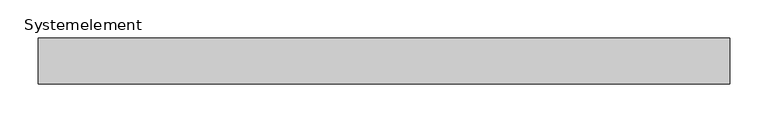
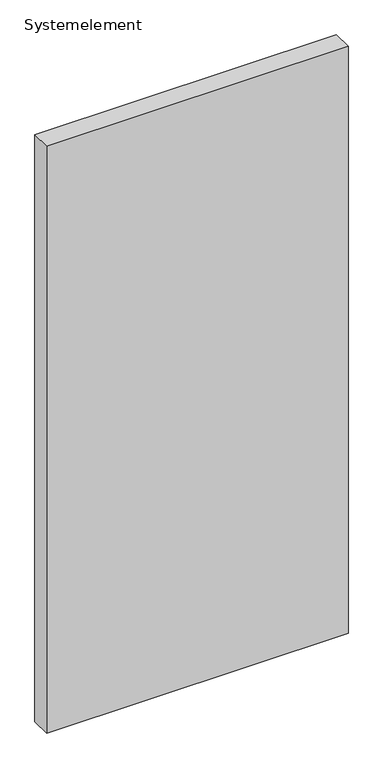
"""IFC4 building model written with IfcOpenShell, lengths in millimetres: plate geometry, Systemelement."""

from ifc_helpers import new_model, si_unit, origin, origin_with_axes, place, context, project, spatial, polyline, outline, extrude, source, transform, mapped, element, save


def systemelement_540c4e03(model_context):
    return source(origin(), model_context, "Body", "SweptSolid", [
        extrude(outline(polyline([(450.0, -60.0), (-450.0, -60.0), (-450.0, 0.0), (450.0, 0.0), (450.0, -60.0)])), origin_with_axes(), (0.0, 0.0, 1.0), 1851.6147161),
    ])


if __name__ == "__main__":
    model = new_model("IFC4")
    model_context = context("Model", 3, world=origin())
    ifc_project = project(units=[si_unit("LENGTHUNIT", "METRE", prefix="MILLI")], contexts=[model_context])
    site = spatial("IfcSite", under=ifc_project)
    building = spatial("IfcBuilding", under=site)
    placement = place(None, origin())
    systemelement_shape = systemelement_540c4e03(model_context)
    element("IfcPlate", 1, ObjectType="Systemelement", at=placement, inside=building, context=model_context, shape_type="MappedRepresentation", body=[
        mapped(systemelement_shape, transform((0.0, 0.0, 0.0), x_axis=(1.0, 0.0, 0.0), y_axis=(0.0, 1.0, 0.0), z_axis=(0.0, 0.0, 1.0))),
    ])
    save(model, "model.ifc")
